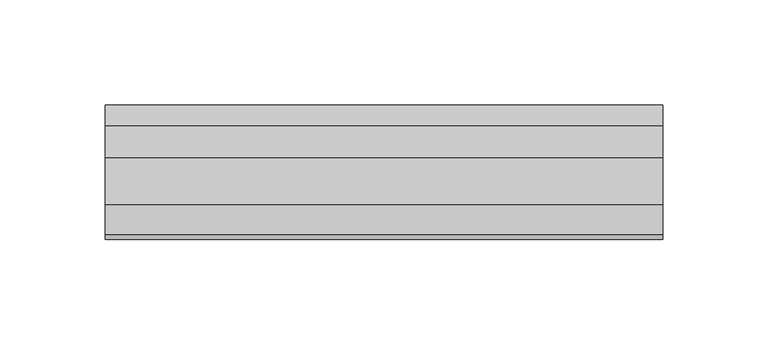
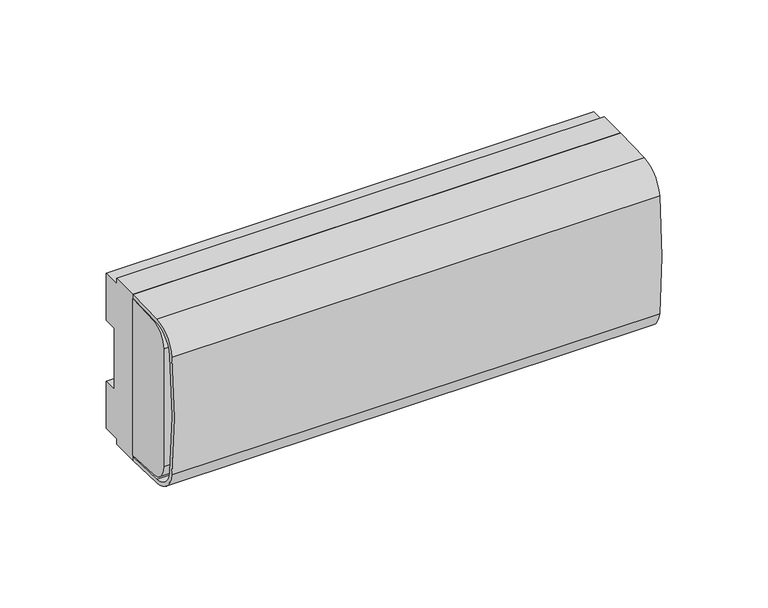
"""IFC4 building model written with IfcOpenShell, lengths in millimetres: proxy geometry."""

from ifc_helpers import new_model, si_unit, point, frame, frame_2d, origin, place, context, project, spatial, polyline, circle_curve, trimmed, segment, composite_curve, outline, extrude, faceted_brep, source, transform, mapped, element, save


def mechanical_equipment_387b3563(model_context):
    return source(origin(), model_context, "Body", "SolidModel", [
        faceted_brep([(-111.0, -58.0, 30.0), (-111.0, -58.0, 22.0), (-111.0, -54.0, 22.0), (-111.0, -54.0, 23.0), (-111.0, -57.0, 23.0), (-111.0, -57.0, 29.0), (-111.0, -54.0, 29.0), (-111.0, -54.0, 30.0), (-125.0, -58.0, 30.0), (-125.0, -54.0, 30.0), (-125.0, -54.0, 29.0), (-125.0, -57.0, 29.0), (-125.0, -57.0, 23.0), (-125.0, -54.0, 23.0), (-125.0, -54.0, 22.0), (-125.0, -58.0, 22.0), (-121.5, -58.0, 24.0), (-121.5, -58.0, 28.0), (-114.5, -58.0, 28.0), (-114.5, -58.0, 24.0), (-121.5, -57.0, 28.0), (-121.5, -57.0, 24.0), (-114.5, -57.0, 24.0), (-114.5, -57.0, 28.0)], [[[0, 1, 2, 3, 4, 5, 6, 7]], [[8, 9, 10, 11, 12, 13, 14, 15]], [[1, 0, 8, 15], [16, 17, 18, 19]], [[2, 1, 15, 14]], [[3, 2, 14, 13]], [[4, 3, 13, 12]], [[5, 4, 12, 11], [20, 21, 22, 23]], [[6, 5, 11, 10]], [[7, 6, 10, 9]], [[0, 7, 9, 8]], [[20, 17, 16, 21]], [[17, 20, 23, 18]], [[18, 23, 22, 19]], [[21, 16, 19, 22]]]),
        extrude(outline(composite_curve([segment(polyline([(-54.0, -33.9905287), (-54.0, 33.9905287)]), True, "CONTINUOUS"), segment(trimmed(circle_curve(frame_2d((-44.0, 33.9905287)), 10.0), [point((-54.0, 33.9905287))], [point((-44.5233596, 43.9768241))], False, "CARTESIAN"), True, "CONTINUOUS"), segment(polyline([(-44.5233596, 43.9768241), (-25.0, 45.0), (-25.0, -45.0), (-44.5233596, -43.9768241)]), True, "CONTINUOUS"), segment(trimmed(circle_curve(frame_2d((-44.0, -33.9905287)), 10.0), [point((-44.5233596, -43.9768241))], [point((-54.0, -33.9905287))], False, "CARTESIAN"), True, "CONTINUOUS")], self_intersect=False)), frame((-132.5, 0.0, 0.0), z_axis=(1.0, 0.0, 0.0), x_axis=(0.0, 1.0, 0.0)), (0.0, 0.0, 1.0), 29.0),
        extrude(outline(polyline([(-7.5, 17.5), (-7.5, -17.5), (0.0, -17.5), (0.0, -44.5), (-10.0, -44.5), (-10.0, -47.75), (-25.0, -47.75), (-25.0, 47.75), (-10.0, 47.75), (-10.0, 44.5), (0.0, 44.5), (0.0, 17.5), (-7.5, 17.5)])), frame((-132.5, 0.0, 0.0), z_axis=(1.0, 0.0, 0.0), x_axis=(0.0, 1.0, 0.0)), (0.0, 0.0, 1.0), 265.0),
        extrude(outline(composite_curve([segment(polyline([(-52.0, -34.0953443), (-52.0, 34.0953443)]), True, "CONTINUOUS"), segment(trimmed(circle_curve(frame_2d((-42.0, 34.0953443)), 10.0), [point((-52.0, 34.0953443))], [point((-42.5233596, 44.0816396))], False, "CARTESIAN"), True, "CONTINUOUS"), segment(polyline([(-42.5233596, 44.0816396), (-25.0, 45.0), (-25.0, -45.0), (-42.5233596, -44.0816396)]), True, "CONTINUOUS"), segment(trimmed(circle_curve(frame_2d((-42.0, -34.0953443)), 10.0), [point((-42.5233596, -44.0816396))], [point((-52.0, -34.0953443))], False, "CARTESIAN"), True, "CONTINUOUS")], self_intersect=False)), frame((117.5, 0.0, 0.0), z_axis=(1.0, 0.0, 0.0), x_axis=(0.0, 1.0, 0.0)), (0.0, 0.0, 1.0), 15.0),
        extrude(outline(composite_curve([segment(polyline([(-47.5205443, 46.9635653), (-25.0, 47.75), (-25.0, 45.7487809), (-47.4507453, 44.9647836)]), True, "CONTINUOUS"), segment(trimmed(circle_curve(frame_2d((-46.9970518, 31.9727029)), 13.0), [point((-47.4507453, 44.9647836))], [point((-59.8954146, 33.5951205))], True, "CARTESIAN"), True, "CONTINUOUS"), segment(trimmed(circle_curve(frame_2d((207.1887394, 0.0)), 269.1887394), [point((-59.8954146, 33.5951205))], [point((-59.8954146, -33.5951205))], True, "CARTESIAN"), True, "CONTINUOUS"), segment(trimmed(circle_curve(frame_2d((-46.9970518, -31.9727029)), 13.0), [point((-59.8954146, -33.5951205))], [point((-47.4507453, -44.9647836))], True, "CARTESIAN"), True, "CONTINUOUS"), segment(polyline([(-47.4507453, -44.9647836), (-25.0, -45.7487809), (-25.0, -47.75), (-47.5205443, -46.9635653)]), True, "CONTINUOUS"), segment(trimmed(circle_curve(frame_2d((-46.9970518, -31.9727029)), 15.0), [point((-47.5205443, -46.9635653))], [point((-61.8797781, -33.8447232))], False, "CARTESIAN"), True, "CONTINUOUS"), segment(trimmed(circle_curve(frame_2d((207.1887394, 0.0)), 271.1887394), [point((-61.8797781, -33.8447232))], [point((-61.8797781, 33.8447232))], False, "CARTESIAN"), True, "CONTINUOUS"), segment(trimmed(circle_curve(frame_2d((-46.9970518, 31.9727029)), 15.0), [point((-61.8797781, 33.8447232))], [point((-47.5205443, 46.9635653))], False, "CARTESIAN"), True, "CONTINUOUS")], self_intersect=False)), frame((-132.5, 0.0, 0.0), z_axis=(1.0, 0.0, 0.0), x_axis=(0.0, 1.0, 0.0)), (0.0, 0.0, 1.0), 265.0),
        extrude(outline(composite_curve([segment(polyline([(-25.0, 45.0), (-25.0, -45.0), (-42.5233596, -44.0816396)]), True, "CONTINUOUS"), segment(trimmed(circle_curve(frame_2d((-42.0, -34.0953443)), 10.0), [point((-42.5233596, -44.0816396))], [point((-52.0, -34.0953443))], False, "CARTESIAN"), True, "CONTINUOUS"), segment(polyline([(-52.0, -34.0953443), (-52.0, 34.0953443)]), True, "CONTINUOUS"), segment(trimmed(circle_curve(frame_2d((-42.0, 34.0953443)), 10.0), [point((-52.0, 34.0953443))], [point((-42.5233596, 44.0816396))], False, "CARTESIAN"), True, "CONTINUOUS"), segment(polyline([(-42.5233596, 44.0816396), (-25.0, 45.0)]), True, "CONTINUOUS")], self_intersect=False)), frame((-32.5, 0.0, 0.0), z_axis=(1.0, 0.0, 0.0), x_axis=(0.0, 1.0, 0.0)), (0.0, 0.0, 1.0), 25.0),
        extrude(outline(composite_curve([segment(polyline([(-25.0, 45.0), (-25.0, -45.0), (-42.5233596, -44.0816396)]), True, "CONTINUOUS"), segment(trimmed(circle_curve(frame_2d((-42.0, -34.0953443)), 10.0), [point((-42.5233596, -44.0816396))], [point((-52.0, -34.0953443))], False, "CARTESIAN"), True, "CONTINUOUS"), segment(polyline([(-52.0, -34.0953443), (-52.0, 34.0953443)]), True, "CONTINUOUS"), segment(trimmed(circle_curve(frame_2d((-42.0, 34.0953443)), 10.0), [point((-52.0, 34.0953443))], [point((-42.5233596, 44.0816396))], False, "CARTESIAN"), True, "CONTINUOUS"), segment(polyline([(-42.5233596, 44.0816396), (-25.0, 45.0)]), True, "CONTINUOUS")], self_intersect=False)), frame((-7.5, 0.0, 0.0), z_axis=(1.0, 0.0, 0.0), x_axis=(0.0, 1.0, 0.0)), (0.0, 0.0, 1.0), 25.0),
        extrude(outline(composite_curve([segment(polyline([(-25.0, 45.0), (-25.0, -45.0), (-42.5233596, -44.0816396)]), True, "CONTINUOUS"), segment(trimmed(circle_curve(frame_2d((-42.0, -34.0953443)), 10.0), [point((-42.5233596, -44.0816396))], [point((-52.0, -34.0953443))], False, "CARTESIAN"), True, "CONTINUOUS"), segment(polyline([(-52.0, -34.0953443), (-52.0, 34.0953443)]), True, "CONTINUOUS"), segment(trimmed(circle_curve(frame_2d((-42.0, 34.0953443)), 10.0), [point((-52.0, 34.0953443))], [point((-42.5233596, 44.0816396))], False, "CARTESIAN"), True, "CONTINUOUS"), segment(polyline([(-42.5233596, 44.0816396), (-25.0, 45.0)]), True, "CONTINUOUS")], self_intersect=False)), frame((-57.5, 0.0, 0.0), z_axis=(1.0, 0.0, 0.0), x_axis=(0.0, 1.0, 0.0)), (0.0, 0.0, 1.0), 25.0),
        extrude(outline(composite_curve([segment(polyline([(-25.0, 45.0), (-25.0, -45.0), (-42.5233596, -44.0816396)]), True, "CONTINUOUS"), segment(trimmed(circle_curve(frame_2d((-42.0, -34.0953443)), 10.0), [point((-42.5233596, -44.0816396))], [point((-52.0, -34.0953443))], False, "CARTESIAN"), True, "CONTINUOUS"), segment(polyline([(-52.0, -34.0953443), (-52.0, 34.0953443)]), True, "CONTINUOUS"), segment(trimmed(circle_curve(frame_2d((-42.0, 34.0953443)), 10.0), [point((-52.0, 34.0953443))], [point((-42.5233596, 44.0816396))], False, "CARTESIAN"), True, "CONTINUOUS"), segment(polyline([(-42.5233596, 44.0816396), (-25.0, 45.0)]), True, "CONTINUOUS")], self_intersect=False)), frame((42.5, 0.0, 0.0), z_axis=(1.0, 0.0, 0.0), x_axis=(0.0, 1.0, 0.0)), (0.0, 0.0, 1.0), 25.0),
        extrude(outline(composite_curve([segment(polyline([(-25.0, 45.0), (-25.0, -45.0), (-42.5233596, -44.0816396)]), True, "CONTINUOUS"), segment(trimmed(circle_curve(frame_2d((-42.0, -34.0953443)), 10.0), [point((-42.5233596, -44.0816396))], [point((-52.0, -34.0953443))], False, "CARTESIAN"), True, "CONTINUOUS"), segment(polyline([(-52.0, -34.0953443), (-52.0, 34.0953443)]), True, "CONTINUOUS"), segment(trimmed(circle_curve(frame_2d((-42.0, 34.0953443)), 10.0), [point((-52.0, 34.0953443))], [point((-42.5233596, 44.0816396))], False, "CARTESIAN"), True, "CONTINUOUS"), segment(polyline([(-42.5233596, 44.0816396), (-25.0, 45.0)]), True, "CONTINUOUS")], self_intersect=False)), frame((17.5, 0.0, 0.0), z_axis=(1.0, 0.0, 0.0), x_axis=(0.0, 1.0, 0.0)), (0.0, 0.0, 1.0), 25.0),
        extrude(outline(composite_curve([segment(polyline([(-25.0, 45.0), (-25.0, -45.0), (-42.5233596, -44.0816396)]), True, "CONTINUOUS"), segment(trimmed(circle_curve(frame_2d((-42.0, -34.0953443)), 10.0), [point((-42.5233596, -44.0816396))], [point((-52.0, -34.0953443))], False, "CARTESIAN"), True, "CONTINUOUS"), segment(polyline([(-52.0, -34.0953443), (-52.0, 34.0953443)]), True, "CONTINUOUS"), segment(trimmed(circle_curve(frame_2d((-42.0, 34.0953443)), 10.0), [point((-52.0, 34.0953443))], [point((-42.5233596, 44.0816396))], False, "CARTESIAN"), True, "CONTINUOUS"), segment(polyline([(-42.5233596, 44.0816396), (-25.0, 45.0)]), True, "CONTINUOUS")], self_intersect=False)), frame((67.5, 0.0, 0.0), z_axis=(1.0, 0.0, 0.0), x_axis=(0.0, 1.0, 0.0)), (0.0, 0.0, 1.0), 25.0),
        extrude(outline(composite_curve([segment(polyline([(-25.0, 45.0), (-25.0, -45.0), (-42.5233596, -44.0816396)]), True, "CONTINUOUS"), segment(trimmed(circle_curve(frame_2d((-42.0, -34.0953443)), 10.0), [point((-42.5233596, -44.0816396))], [point((-52.0, -34.0953443))], False, "CARTESIAN"), True, "CONTINUOUS"), segment(polyline([(-52.0, -34.0953443), (-52.0, 34.0953443)]), True, "CONTINUOUS"), segment(trimmed(circle_curve(frame_2d((-42.0, 34.0953443)), 10.0), [point((-52.0, 34.0953443))], [point((-42.5233596, 44.0816396))], False, "CARTESIAN"), True, "CONTINUOUS"), segment(polyline([(-42.5233596, 44.0816396), (-25.0, 45.0)]), True, "CONTINUOUS")], self_intersect=False)), frame((92.5, 0.0, 0.0), z_axis=(1.0, 0.0, 0.0), x_axis=(0.0, 1.0, 0.0)), (0.0, 0.0, 1.0), 25.0),
        extrude(outline(composite_curve([segment(polyline([(-25.0, 45.0), (-25.0, -45.0), (-42.5233596, -44.0816396)]), True, "CONTINUOUS"), segment(trimmed(circle_curve(frame_2d((-42.0, -34.0953443)), 10.0), [point((-42.5233596, -44.0816396))], [point((-52.0, -34.0953443))], False, "CARTESIAN"), True, "CONTINUOUS"), segment(polyline([(-52.0, -34.0953443), (-52.0, 34.0953443)]), True, "CONTINUOUS"), segment(trimmed(circle_curve(frame_2d((-42.0, 34.0953443)), 10.0), [point((-52.0, 34.0953443))], [point((-42.5233596, 44.0816396))], False, "CARTESIAN"), True, "CONTINUOUS"), segment(polyline([(-42.5233596, 44.0816396), (-25.0, 45.0)]), True, "CONTINUOUS")], self_intersect=False)), frame((-103.5, 0.0, 0.0), z_axis=(1.0, 0.0, 0.0), x_axis=(0.0, 1.0, 0.0)), (0.0, 0.0, 1.0), 46.0),
    ])


if __name__ == "__main__":
    model = new_model("IFC4")
    model_context = context("Model", 3, world=origin())
    ifc_project = project(units=[si_unit("LENGTHUNIT", "METRE", prefix="MILLI")], contexts=[model_context])
    site = spatial("IfcSite", under=ifc_project)
    building = spatial("IfcBuilding", under=site)
    placement = place(None, origin())
    mechanical_equipment_shape = mechanical_equipment_387b3563(model_context)
    element("IfcBuildingElementProxy", 1, Name="Mechanical Equipment", at=placement, inside=building, context=model_context, shape_type="MappedRepresentation", body=[
        mapped(mechanical_equipment_shape, transform((0.0, 0.0, 0.0), x_axis=(1.0, 0.0, 0.0), y_axis=(0.0, 1.0, 0.0), z_axis=(0.0, 0.0, 1.0))),
    ])
    save(model, "model.ifc")
